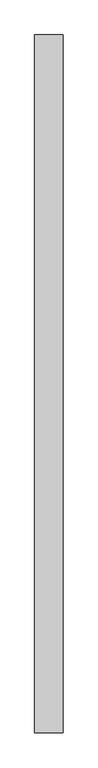
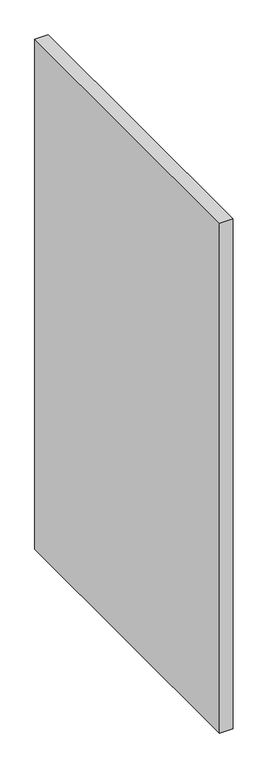
"""IFC4 building model written with IfcOpenShell, lengths in millimetres: proxy geometry."""

from ifc_helpers import new_model, si_unit, origin, origin_with_axes, place, context, project, spatial, polyline, outline, extrude, source, transform, mapped, element, save


def generic_models_4d554886(model_context):
    return source(origin(), model_context, "Body", "SweptSolid", [
        extrude(outline(polyline([(90.0, -2200.0), (0.0, -2200.0), (0.0, 0.0), (90.0, 0.0), (90.0, -2200.0)])), origin_with_axes(), (0.0, 0.0, 1.0), 3700.0),
    ])


if __name__ == "__main__":
    model = new_model("IFC4")
    model_context = context("Model", 3, world=origin())
    ifc_project = project(units=[si_unit("LENGTHUNIT", "METRE", prefix="MILLI")], contexts=[model_context])
    site = spatial("IfcSite", under=ifc_project)
    building = spatial("IfcBuilding", under=site)
    placement = place(None, origin())
    generic_models_shape = generic_models_4d554886(model_context)
    element("IfcBuildingElementProxy", 1, Name="Generic Models", at=placement, inside=building, context=model_context, shape_type="MappedRepresentation", body=[
        mapped(generic_models_shape, transform((0.0, 0.0, 0.0), x_axis=(1.0, 0.0, 0.0), y_axis=(0.0, 1.0, 0.0), z_axis=(0.0, 0.0, 1.0))),
    ])
    save(model, "model.ifc")
